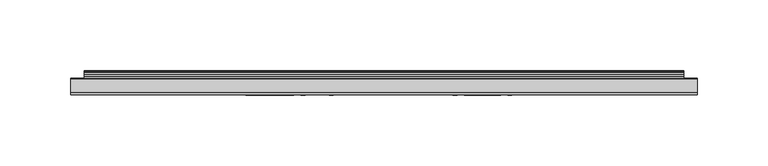
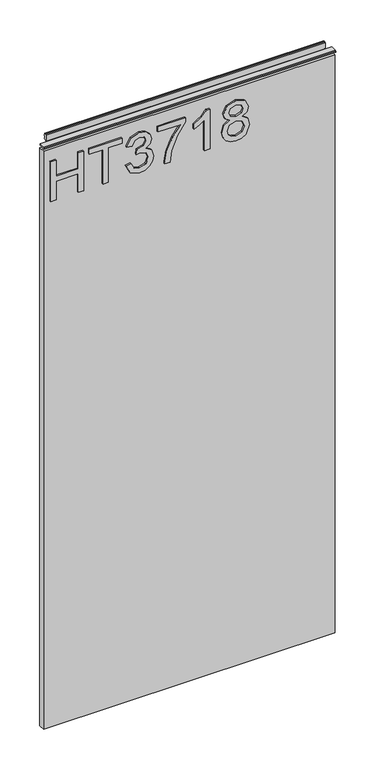
"""IFC4 building model written with IfcOpenShell, lengths in millimetres: furniture geometry."""

from ifc_helpers import new_model, si_unit, frame, origin, place, context, project, spatial, polyline, outline, extrude, source, transform, mapped, element, save


def furniture_d4d10703(model_context):
    return source(origin(), model_context, "Body", "SweptSolid", [
        extrude(outline(polyline([(951.4078, -288.5795281), (951.4078, -280.6058085), (981.3092486, -280.6058085), (981.3092486, -246.7175001), (951.4078, -246.7175001), (951.4078, -238.7437805), (1015.1975569, -238.7437805), (1015.1975569, -246.7175001), (989.2829682, -246.7175001), (989.2829682, -280.6058085), (1015.1975569, -280.6058085), (1015.1975569, -288.5795281), (951.4078, -288.5795281)])), frame((0.0, -5.6037602, 0.0), z_axis=(0.0, 1.0, 0.0), x_axis=(0.0, 0.0, 1.0)), (0.0, 0.0, 1.0), 2.38125),
        extrude(outline(polyline([(951.4078, -208.8423319), (951.4078, -200.8686123), (1007.2238373, -200.8686123), (1007.2238373, -179.9375983), (1015.1975569, -179.9375983), (1015.1975569, -229.7733459), (1007.2238373, -229.7733459), (1007.2238373, -208.8423319), (951.4078, -208.8423319)])), frame((0.0, -5.6037602, 0.0), z_axis=(0.0, 1.0, 0.0), x_axis=(0.0, 0.0, 1.0)), (0.0, 0.0, 1.0), 2.38125),
        extrude(outline(polyline([(968.3519542, -173.9573086), (955.4102335, -167.6188244), (950.411085, -153.6336678), (951.8750101, -145.1109762), (956.2667854, -138.2001597), (962.7610063, -133.6215004), (970.5322681, -132.0952806), (980.9043331, -135.1477201), (986.355118, -143.8378286), (991.6345925, -137.2968867), (998.9853653, -135.0854254), (1007.0291664, -137.4136893), (1013.0094562, -144.1415152), (1015.1975569, -153.7582571), (1010.7590607, -166.4352254), (998.2534028, -172.9605936), (997.2566878, -164.986874), (1004.7320499, -161.0778826), (1007.2238373, -153.4779311), (1004.7554105, -145.9714216), (998.5181552, -143.0591451), (991.4788558, -147.0771522), (989.2829682, -157.4024962), (981.3092486, -158.2901954), (982.1813742, -152.6992475), (978.91869, -143.6353709), (970.6724312, -140.0690002), (961.920028, -143.6665182), (958.3848047, -153.3533417), (960.9544604, -161.5840269), (969.3486691, -165.983589), (968.3519542, -173.9573086)])), frame((0.0, -5.6037602, 0.0), z_axis=(0.0, 1.0, 0.0), x_axis=(0.0, 0.0, 1.0)), (0.0, 0.0, 1.0), 2.38125),
        extrude(outline(polyline([(1006.2271224, -125.1182759), (1006.2271224, -91.2299675), (989.7268178, -103.283989), (969.3953902, -111.9818843), (951.4078, -115.1511264), (951.4078, -107.1774068), (968.741296, -104.2184093), (990.5989434, -95.1311722), (1007.7533421, -83.2562479), (1014.200842, -83.2562479), (1014.200842, -125.1182759), (1006.2271224, -125.1182759)])), frame((0.0, -5.6037602, 0.0), z_axis=(0.0, 1.0, 0.0), x_axis=(0.0, 0.0, 1.0)), (0.0, 0.0, 1.0), 2.38125),
        extrude(outline(polyline([(951.4078, -46.3777947), (1015.1975569, -46.3777947), (1015.1975569, -51.5171062), (1006.7099062, -58.6109134), (999.2501177, -70.2989535), (991.7124609, -70.2989535), (995.7382549, -61.9047448), (1001.1189582, -54.3515143), (951.4078, -54.3515143), (951.4078, -46.3777947)])), frame((0.0, -5.6037602, 0.0), z_axis=(0.0, 1.0, 0.0), x_axis=(0.0, 0.0, 1.0)), (0.0, 0.0, 1.0), 2.38125),
        extrude(outline(polyline([(986.5420021, -15.8222519), (980.7485964, -24.4189184), (970.1896474, -27.4402106), (962.4320125, -25.999646), (956.0721145, -21.6779523), (951.8263424, -15.0046342), (950.411085, -6.5091966), (951.8205023, 1.986241), (956.048754, 8.6595591), (969.971616, 14.4218174), (980.2891731, 11.5173277), (986.5420021, 3.0374638), (991.471069, 10.1001237), (998.9853653, 12.4283875), (1010.4787346, 7.195634), (1015.1975569, -6.6182123), (1010.5877503, -20.3074692), (999.2033967, -25.4467807), (991.4944295, -23.0873695), (986.5420021, -15.8222519)]), holes=[polyline([(970.4699735, -19.466491), (978.9264769, -16.0947912), (982.3059635, -6.7116543), (978.8797559, 2.9440218), (970.2207947, 6.4480978), (961.7253571, 3.0530375), (958.3848047, -6.4469019), (959.9733191, -13.4239066), (964.4663232, -18.1349421), (970.4699735, -19.466491)]), polyline([(998.9697916, -17.4730611), (1004.7943446, -14.5997188), (1007.2238373, -6.5091966), (1004.7398368, 1.557965), (998.6115972, 4.4546679), (992.6936022, 1.6514071), (990.2796831, -6.4157546), (992.7091758, -14.6464398), (998.9697916, -17.4730611)])]), frame((0.0, -5.6037602, 0.0), z_axis=(0.0, 1.0, 0.0), x_axis=(0.0, 0.0, 1.0)), (0.0, 0.0, 1.0), 2.38125),
        extrude(outline(polyline([(5.5562561, 1041.4), (5.5562561, 1038.2249996), (-3.975094, 1038.2249996), (-5.3492339, 1039.0183657), (-5.3492339, 1040.6066395), (-3.9751037, 1041.4), (5.5562561, 1041.4)])), frame((-298.196, 0.0, 0.0), z_axis=(1.0, 0.0, 0.0), x_axis=(0.0, 1.0, 0.0)), (0.0, 0.0, 1.0), 443.992),
        extrude(outline(polyline([(145.796, 6.3500061), (145.796, -3.1749939), (-298.196, -3.1749939), (-298.196, 6.3500061), (145.796, 6.3500061)])), frame((0.0, 0.0, 104.69626), z_axis=(0.0, 0.0, 1.0), x_axis=(1.0, 0.0, 0.0)), (0.0, 0.0, 1.0), 929.26154),
        extrude(outline(polyline([(5.5562561, 1041.4), (6.3500061, 1041.4), (6.3500061, 1051.27425), (7.1437561, 1052.068), (8.6677569, 1052.068), (10.0084363, 1051.6506926), (10.875413, 1050.5461816), (10.9623604, 1049.1447591), (10.2390011, 1046.1863459), (10.4046103, 1044.9833307), (11.6746103, 1042.7836103), (10.7786383, 1042.2663244), (7.1437561, 1042.2663244), (7.1437561, 1041.4), (6.3500061, 1041.1669239), (6.3500061, 1033.9578), (5.5562561, 1033.9578), (5.5562561, 1041.4)])), frame((-288.671, 0.0, 0.0), z_axis=(1.0, 0.0, 0.0), x_axis=(0.0, 1.0, 0.0)), (0.0, 0.0, 1.0), 424.942),
    ])


if __name__ == "__main__":
    model = new_model("IFC4")
    model_context = context("Model", 3, world=origin())
    ifc_project = project(units=[si_unit("LENGTHUNIT", "METRE", prefix="MILLI")], contexts=[model_context])
    site = spatial("IfcSite", under=ifc_project)
    building = spatial("IfcBuilding", under=site)
    placement = place(None, origin())
    furniture_shape = furniture_d4d10703(model_context)
    element("IfcFurniture", 1, at=placement, inside=building, context=model_context, shape_type="MappedRepresentation", body=[
        mapped(furniture_shape, transform((0.0, 0.0, 0.0), x_axis=(1.0, 0.0, 0.0), y_axis=(0.0, 1.0, 0.0), z_axis=(0.0, 0.0, 1.0))),
    ])
    save(model, "model.ifc")
